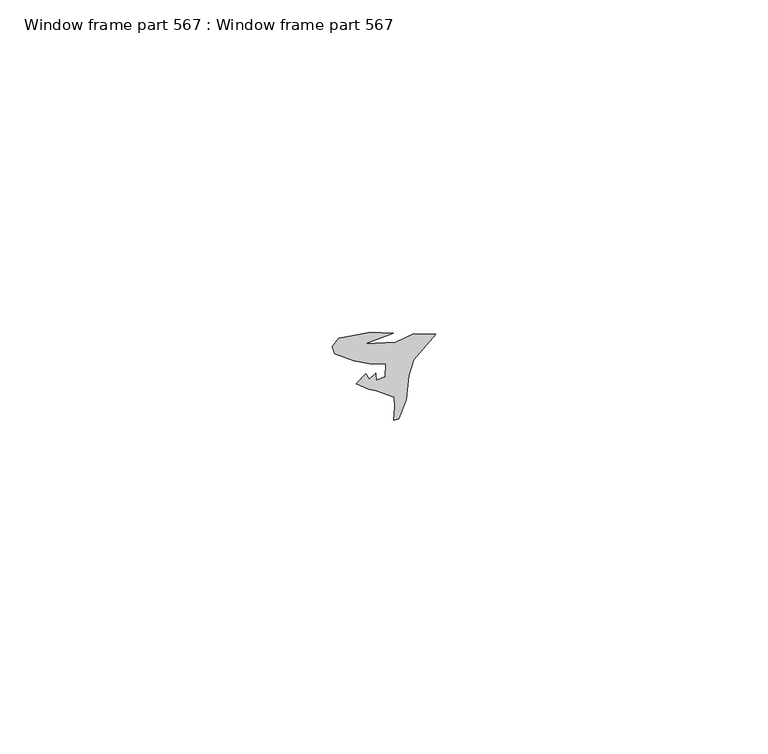
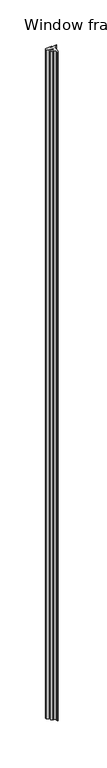
"""IFC4 building model written with IfcOpenShell, lengths in millimetres: proxy geometry, Window frame part 567 : Window frame part 567."""

from ifc_helpers import new_model, si_unit, frame, origin, place, context, project, spatial, polyline, outline, extrude, source, transform, mapped, element, save


def window_frame_part_567_window_frame_part_567_31c1dc29(model_context):
    return source(origin(), model_context, "Body", "SweptSolid", [
        extrude(outline(polyline([(32763.1832351, -15451.1900718), (32762.3874991, -15451.4200162), (32762.5270485, -15449.5045057), (32762.4548306, -15447.9531979), (32759.7614322, -15446.9961231), (32758.653967, -15446.7733765), (32756.7868808, -15445.9269081), (32758.1754546, -15444.4031097), (32758.7054876, -15445.2261892), (32759.662379, -15444.3906677), (32759.7531444, -15445.3849879), (32761.1328168, -15444.8733254), (32761.1948198, -15443.0113498), (32758.7653151, -15442.9304483), (32756.3462126, -15442.494577), (32753.5324528, -15441.3908099), (32753.1571537, -15440.3919608), (32754.0987109, -15439.1194611), (32758.9227798, -15438.2017186), (32762.3307296, -15438.3152019), (32758.1295318, -15439.934983), (32762.7279995, -15439.7225446), (32765.4236709, -15438.4181956), (32768.7058059, -15438.4873416), (32765.3899526, -15442.3576003), (32764.6724899, -15444.7179784), (32764.3054784, -15448.3621715), (32763.1832351, -15451.1900718)])), frame((0.0, 0.0, 1597.975708), z_axis=(0.0, 0.0, 1.0), x_axis=(1.0, 0.0, 0.0)), (0.0, 0.0, 1.0), 914.4),
    ])


if __name__ == "__main__":
    model = new_model("IFC4")
    model_context = context("Model", 3, world=origin())
    ifc_project = project(units=[si_unit("LENGTHUNIT", "METRE", prefix="MILLI")], contexts=[model_context])
    site = spatial("IfcSite", under=ifc_project)
    building = spatial("IfcBuilding", under=site)
    placement = place(None, origin())
    window_frame_part_567_window_frame_part_567_shape = window_frame_part_567_window_frame_part_567_31c1dc29(model_context)
    element("IfcBuildingElementProxy", 1, Name="Window frame part 567 : Window frame part 567", ObjectType="Window frame part 567 : Window frame part 567", at=placement, inside=building, context=model_context, shape_type="MappedRepresentation", body=[
        mapped(window_frame_part_567_window_frame_part_567_shape, transform((0.0, 0.0, 0.0), x_axis=(1.0, 0.0, 0.0), y_axis=(0.0, 1.0, 0.0), z_axis=(0.0, 0.0, 1.0))),
    ])
    save(model, "model.ifc")
